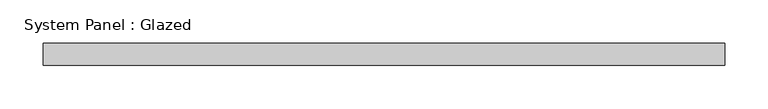
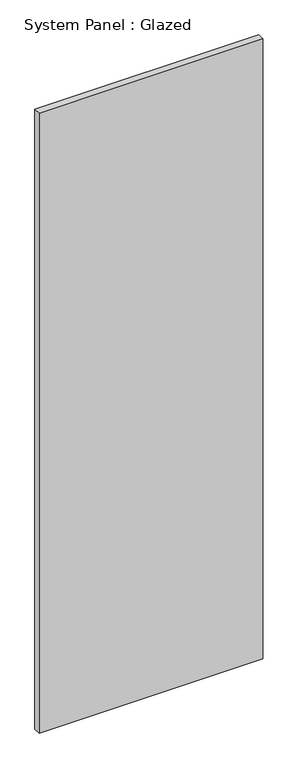
"""IFC4 building model written with IfcOpenShell, lengths in millimetres: plate geometry, System Panel : Glazed."""

from ifc_helpers import new_model, si_unit, origin, origin_with_axes, place, context, project, spatial, polyline, outline, extrude, source, transform, mapped, element, save


def system_panel_glazed_768f1d78(model_context):
    return source(origin(), model_context, "Body", "SweptSolid", [
        extrude(outline(polyline([(393.0, -49.5), (-393.0, -49.5), (-393.0, -24.5), (393.0, -24.5), (393.0, -49.5)])), origin_with_axes(), (0.0, 0.0, 1.0), 2300.0),
    ])


if __name__ == "__main__":
    model = new_model("IFC4")
    model_context = context("Model", 3, world=origin())
    ifc_project = project(units=[si_unit("LENGTHUNIT", "METRE", prefix="MILLI")], contexts=[model_context])
    site = spatial("IfcSite", under=ifc_project)
    building = spatial("IfcBuilding", under=site)
    placement = place(None, origin())
    system_panel_glazed_shape = system_panel_glazed_768f1d78(model_context)
    element("IfcPlate", 1, ObjectType="System Panel : Glazed", at=placement, inside=building, context=model_context, shape_type="MappedRepresentation", body=[
        mapped(system_panel_glazed_shape, transform((0.0, 0.0, 0.0), x_axis=(1.0, 0.0, 0.0), y_axis=(0.0, 1.0, 0.0), z_axis=(0.0, 0.0, 1.0))),
    ])
    save(model, "model.ifc")
